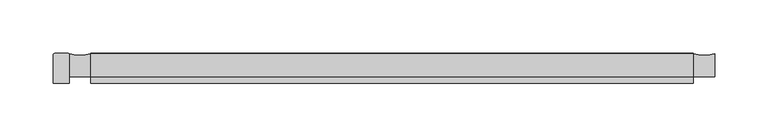
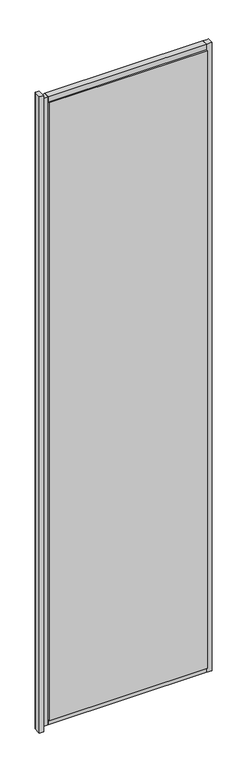
"""IFC4 building model written with IfcOpenShell, lengths in millimetres: plate geometry."""

from ifc_helpers import new_model, si_unit, point, frame, frame_2d, origin, place, context, project, spatial, polyline, circle_curve, trimmed, segment, composite_curve, outline, extrude, source, transform, mapped, element, save
from ifc_brep_helpers import plane_surface, cylinder_surface, advanced_brep


def plate_bb3c8526(model_context):
    return source(origin(), model_context, "Body", "SolidModel", [
        advanced_brep(
        [(-298.0557982, 12.8070793, 2377.9080722), (-299.0557982, 13.8070793, 2377.9080722), (-311.5555549, 13.8070793, 2377.9080722), (-313.0555549, 12.3070793, 2377.9080722), (-313.0555549, -14.0, 2377.9080722), (-298.0555556, -14.0, 2377.9080722), (-298.0555556, 12.8070793, -25.0), (-298.0555556, -14.0, -25.0), (-313.0555549, -14.0, -25.0), (-313.0555549, 12.3070793, -25.0), (-311.5555549, 13.8070793, -25.0), (-299.0557982, 13.8070793, -25.0)],
        [
            (0, 1, circle_curve(frame((-299.0557982, 12.8070793, 2377.9080722), z_axis=(0.0, 0.0, 1.0), x_axis=(1.0, 0.0, 0.0)), 1.0)),
            (1, 2),
            (2, 3, circle_curve(frame((-311.5555549, 12.3070793, 2377.9080722), z_axis=(0.0, 0.0, 1.0), x_axis=(1.0, 0.0, 0.0)), 1.5)),
            (3, 4),
            (4, 5),
            (5, 0),
            (6, 7),
            (7, 8),
            (8, 9),
            (9, 10, circle_curve(frame((-311.5555549, 12.3070793, -25.0), z_axis=(0.0, 0.0, -1.0), x_axis=(1.0, 0.0, 0.0)), 1.5)),
            (10, 11),
            (11, 6, circle_curve(frame((-299.0557982, 12.8070793, -25.0), z_axis=(0.0, 0.0, -1.0), x_axis=(1.0, 0.0, 0.0)), 1.0)),
            (0, 6),
            (11, 1),
            (10, 2),
            (9, 3),
            (8, 4),
            (7, 5),
        ],
        [
            plane_surface(frame((-298.0557982, 12.8070793, 2377.9080722), z_axis=(0.0, 0.0, 1.0), x_axis=(0.0, 1.0, 0.0))),
            plane_surface(frame((-298.0557982, 12.8070793, -25.0), z_axis=(0.0, 0.0, -1.0), x_axis=(0.0, -1.0, 0.0))),
            cylinder_surface(frame((-299.0557982, 12.8070793, -25.0), z_axis=(0.0, 0.0, 1.0), x_axis=(1.0, 0.0, 0.0)), 1.0),
            plane_surface(frame((-299.0557982, 13.8070793, 2377.9080722), z_axis=(0.0, 1.0, 0.0), x_axis=(0.0, 0.0, -1.0))),
            cylinder_surface(frame((-311.5555549, 12.3070793, -25.0), z_axis=(0.0, 0.0, 1.0), x_axis=(1.0, 0.0, 0.0)), 1.5),
            plane_surface(frame((-313.0555549, 12.3070793, 2377.9080722), z_axis=(-1.0, 0.0, 0.0), x_axis=(0.0, 0.0, -1.0))),
            plane_surface(frame((-313.0555549, -14.0, 2377.9080722), z_axis=(0.0, -1.0, 0.0), x_axis=(0.0, 0.0, -1.0))),
            plane_surface(frame((-298.0555556, -14.0, 2377.9080722), z_axis=(1.0, 0.0, 0.0), x_axis=(0.0, 0.0, -1.0))),
        ],
        [
            (0, [[1, 2, 3, 4, 5, 6]]),
            (1, [[7, 8, 9, 10, 11, 12]]),
            (2, [[-1, 13, -12, 14]]),
            (3, [[-2, -14, -11, 15]]),
            (4, [[-3, -15, -10, 16]]),
            (5, [[-4, -16, -9, 17]]),
            (6, [[-5, -17, -8, 18]]),
            (7, [[-6, -18, -7, -13]]),
        ],
    ),
        extrude(outline(polyline([(288.0555556, 14.0), (288.0555556, 8.0), (-278.0555556, 8.0), (-278.0555556, 14.0), (288.0555556, 14.0)])), frame((0.0, 0.0, 10.0), z_axis=(0.0, 0.0, 1.0), x_axis=(1.0, 0.0, 0.0)), (0.0, 0.0, 1.0), 2332.9080722),
        extrude(outline(polyline([(288.0555556, -8.0), (288.0555556, -14.0), (-278.0555556, -14.0), (-278.0555556, -8.0), (288.0555556, -8.0)])), frame((0.0, 0.0, 10.0), z_axis=(0.0, 0.0, 1.0), x_axis=(1.0, 0.0, 0.0)), (0.0, 0.0, 1.0), 2332.9080722),
        extrude(outline(composite_curve([segment(polyline([(13.499631, -10.0), (-8.0, -10.0), (-8.0, 10.0), (13.499631, 10.0)]), True, "CONTINUOUS"), segment(trimmed(circle_curve(frame_2d((45.6328576, 0.0)), 33.6532948), [point((13.499631, 10.0))], [point((13.499631, -10.0))], True, "CARTESIAN"), True, "CONTINUOUS")], self_intersect=False)), frame((-278.0555556, 0.0, 0.0), z_axis=(1.0, 0.0, 0.0), x_axis=(0.0, 1.0, 0.0)), (0.0, 0.0, 1.0), 566.1111111),
        extrude(outline(composite_curve([segment(trimmed(circle_curve(frame_2d((45.6328576, 2352.9080722)), 33.6532948), [point((13.499631, 2362.9080722))], [point((13.499631, 2342.9080722))], True, "CARTESIAN"), True, "CONTINUOUS"), segment(polyline([(13.499631, 2342.9080722), (-8.0, 2342.9080722), (-8.0, 2362.9080722), (13.499631, 2362.9080722)]), True, "CONTINUOUS")], self_intersect=False)), frame((-278.0555556, 0.0, 0.0), z_axis=(1.0, 0.0, 0.0), x_axis=(0.0, 1.0, 0.0)), (0.0, 0.0, 1.0), 566.1111111),
        extrude(outline(composite_curve([segment(polyline([(308.0555556, -8.0), (288.0555556, -8.0), (288.0555556, 13.5022002)]), True, "CONTINUOUS"), segment(trimmed(circle_curve(frame_2d((297.9820438, 45.5022747)), 33.5043271), [point((288.0555556, 13.5022002))], [point((308.0555556, 13.548178))], True, "CARTESIAN"), True, "CONTINUOUS"), segment(polyline([(308.0555556, 13.548178), (308.0555556, -8.0)]), True, "CONTINUOUS")], self_intersect=False)), frame((0.0, 0.0, -10.0), z_axis=(0.0, 0.0, 1.0), x_axis=(1.0, 0.0, 0.0)), (0.0, 0.0, 1.0), 2372.9080722),
        extrude(outline(composite_curve([segment(polyline([(-278.0555556, -8.0), (-298.0555556, -8.0), (-298.0555556, 13.499631)]), True, "CONTINUOUS"), segment(trimmed(circle_curve(frame_2d((-288.0555556, 45.6328576)), 33.6532948), [point((-298.0555556, 13.499631))], [point((-278.0555556, 13.499631))], True, "CARTESIAN"), True, "CONTINUOUS"), segment(polyline([(-278.0555556, 13.499631), (-278.0555556, -8.0)]), True, "CONTINUOUS")], self_intersect=False)), frame((0.0, 0.0, -10.0), z_axis=(0.0, 0.0, 1.0), x_axis=(1.0, 0.0, 0.0)), (0.0, 0.0, 1.0), 2372.9080722),
    ])


if __name__ == "__main__":
    model = new_model("IFC4")
    model_context = context("Model", 3, world=origin())
    ifc_project = project(units=[si_unit("LENGTHUNIT", "METRE", prefix="MILLI")], contexts=[model_context])
    site = spatial("IfcSite", under=ifc_project)
    building = spatial("IfcBuilding", under=site)
    placement = place(None, origin())
    plate_shape = plate_bb3c8526(model_context)
    element("IfcPlate", 1, at=placement, inside=building, context=model_context, shape_type="MappedRepresentation", body=[
        mapped(plate_shape, transform((0.0, 0.0, 0.0), x_axis=(1.0, 0.0, 0.0), y_axis=(0.0, 1.0, 0.0), z_axis=(0.0, 0.0, 1.0))),
    ])
    save(model, "model.ifc")
